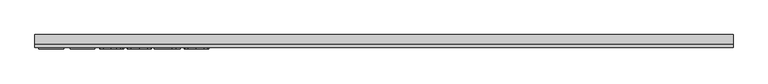
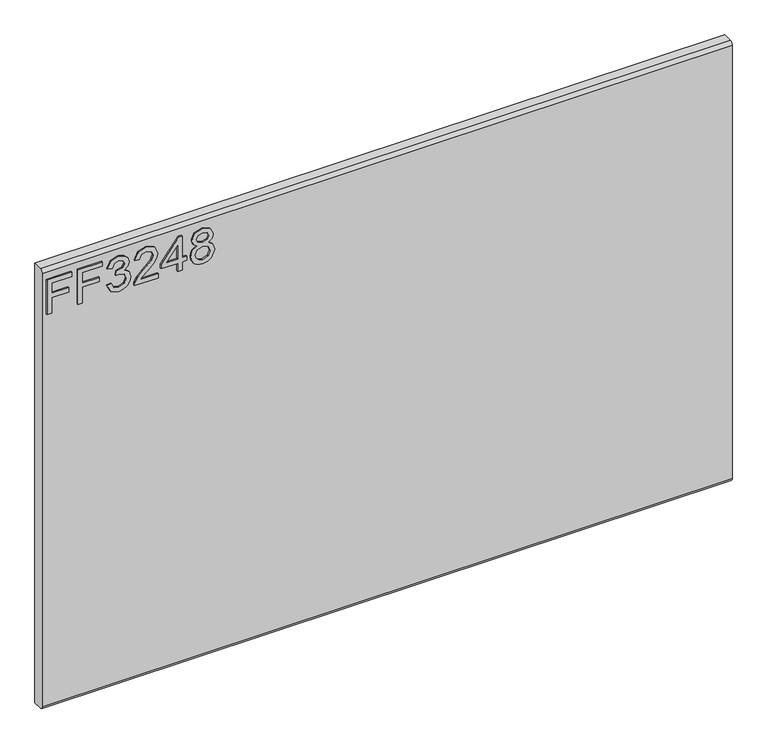
"""IFC4 building model written with IfcOpenShell, lengths in millimetres: furniture geometry."""

from ifc_helpers import new_model, si_unit, frame, origin, place, context, project, spatial, polyline, circle_curve, outline, extrude, source, transform, mapped, element, save
from ifc_brep_helpers import plane_surface, cylinder_surface, advanced_brep


def furniture_1447cfbe(model_context):
    return source(origin(), model_context, "Body", "SolidModel", [
        extrude(outline(polyline([(882.65, -596.2729953), (882.65, -588.2992757), (911.5547336, -588.2992757), (911.5547336, -558.3978271), (919.5284532, -558.3978271), (919.5284532, -588.2992757), (938.4660373, -588.2992757), (938.4660373, -553.4142524), (946.4397569, -553.4142524), (946.4397569, -596.2729953), (882.65, -596.2729953)])), frame((0.0, -15.0812439, 0.0), z_axis=(0.0, 1.0, 0.0), x_axis=(0.0, 0.0, 1.0)), (0.0, 0.0, 1.0), 2.38125),
        extrude(outline(polyline([(882.65, -542.4503879), (882.65, -534.4766683), (911.5547336, -534.4766683), (911.5547336, -504.5752197), (919.5284532, -504.5752197), (919.5284532, -534.4766683), (938.4660373, -534.4766683), (938.4660373, -499.591645), (946.4397569, -499.591645), (946.4397569, -542.4503879), (882.65, -542.4503879)])), frame((0.0, -15.0812439, 0.0), z_axis=(0.0, 1.0, 0.0), x_axis=(0.0, 0.0, 1.0)), (0.0, 0.0, 1.0), 2.38125),
        extrude(outline(polyline([(899.5941542, -491.6179253), (886.6524335, -485.2794412), (881.653285, -471.2942845), (883.1172101, -462.771593), (887.5089854, -455.8607764), (894.0032063, -451.2821171), (901.7744681, -449.7558974), (912.1465331, -452.8083369), (917.597318, -461.4984454), (922.8767925, -454.9575035), (930.2275653, -452.7460422), (938.2713664, -455.074306), (944.2516562, -461.802132), (946.4397569, -471.4188739), (942.0012607, -484.0958422), (929.4956028, -490.6212104), (928.4988878, -482.6474908), (935.9742499, -478.7384993), (938.4660373, -471.1385478), (935.9976105, -463.6320383), (929.7603552, -460.7197618), (922.7210558, -464.737769), (920.5251682, -475.0631129), (912.5514486, -475.9508122), (913.4235742, -470.3598643), (910.16089, -461.2959877), (901.9146312, -457.729617), (893.162228, -461.327135), (889.6270047, -471.0139584), (892.1966604, -479.2446436), (900.5908691, -483.6442057), (899.5941542, -491.6179253)])), frame((0.0, -15.0812439, 0.0), z_axis=(0.0, 1.0, 0.0), x_axis=(0.0, 0.0, 1.0)), (0.0, 0.0, 1.0), 2.38125),
        extrude(outline(polyline([(890.6237196, -401.9135796), (890.6237196, -433.2322323), (894.6806609, -429.6347143), (902.350694, -420.461822), (913.2756243, -409.0385342), (921.0936072, -404.3274987), (928.6546245, -402.9102946), (941.3315928, -408.1664086), (946.4397569, -422.4396782), (941.845524, -436.6662268), (928.4988878, -442.7788927), (927.5021729, -434.8051731), (935.5537608, -431.4490469), (938.4660373, -422.6109886), (935.4836793, -414.1311246), (928.1718407, -410.8840142), (919.1391115, -414.3257955), (905.85477, -428.0929208), (896.6117962, -438.075644), (888.1475059, -442.9190557), (882.65, -443.7756076), (882.65, -401.9135796), (890.6237196, -401.9135796)])), frame((0.0, -15.0812439, 0.0), z_axis=(0.0, 1.0, 0.0), x_axis=(0.0, 0.0, 1.0)), (0.0, 0.0, 1.0), 2.38125),
        extrude(outline(polyline([(882.65, -368.0252713), (882.65, -360.0515516), (897.6007243, -360.0515516), (897.6007243, -352.077832), (905.5744439, -352.077832), (905.5744439, -360.0515516), (945.443042, -360.0515516), (945.443042, -366.0318414), (905.5744439, -396.9300049), (897.6007243, -396.9300049), (897.6007243, -368.0252713), (882.65, -368.0252713)]), holes=[polyline([(905.5744439, -368.0252713), (905.5744439, -387.1185921), (930.2119916, -368.0252713), (905.5744439, -368.0252713)])]), frame((0.0, -15.0812439, 0.0), z_axis=(0.0, 1.0, 0.0), x_axis=(0.0, 0.0, 1.0)), (0.0, 0.0, 1.0), 2.38125),
        extrude(outline(polyline([(917.7842021, -333.4828687), (911.9907964, -342.0795352), (901.4318474, -345.1008274), (893.6742125, -343.6602628), (887.3143145, -339.338569), (883.0685424, -332.665251), (881.653285, -324.1698134), (883.0627023, -315.6743758), (887.290954, -309.0010577), (901.213816, -303.2387994), (911.5313731, -306.143289), (917.7842021, -314.623153), (922.713269, -307.5604931), (930.2275653, -305.2322293), (941.7209346, -310.4649828), (946.4397569, -324.2788291), (941.8299503, -337.968086), (930.4455967, -343.1073975), (922.7366295, -340.7479863), (917.7842021, -333.4828687)]), holes=[polyline([(930.2119916, -335.1336778), (936.0365446, -332.2603355), (938.4660373, -324.1698134), (935.9820368, -316.1026517), (929.8537972, -313.2059489), (923.9358022, -316.0092097), (921.5218831, -324.0763713), (923.9513758, -332.3070565), (930.2119916, -335.1336778)]), polyline([(901.7121735, -337.1271077), (910.1686769, -333.7554079), (913.5481635, -324.3722711), (910.1219559, -314.716595), (901.4629947, -311.212519), (892.9675571, -314.6075793), (889.6270047, -324.1075187), (891.2155191, -331.0845233), (895.7085232, -335.7955589), (901.7121735, -337.1271077)])]), frame((0.0, -15.0812439, 0.0), z_axis=(0.0, 1.0, 0.0), x_axis=(0.0, 0.0, 1.0)), (0.0, 0.0, 1.0), 2.38125),
        advanced_brep(
        [(603.25, 9.5250061, 965.2), (603.25, -6.7309939, 965.2), (603.25, -12.6999939, 959.231), (603.25, -12.6999939, 158.369), (603.25, -6.7309939, 152.4), (603.25, 9.5250061, 152.4), (-603.25, 9.5250061, 965.2), (-603.25, 9.5250061, 152.4), (-603.25, -6.7309939, 152.4), (-603.25, -12.6999939, 158.369), (-603.25, -12.6999939, 959.2310121), (-603.25, -6.7309939, 965.2)],
        [
            (0, 1),
            (1, 2, circle_curve(frame((603.25, -6.7309939, 959.231), z_axis=(1.0, 0.0, 0.0), x_axis=(0.0, 1.0, 0.0)), 5.969)),
            (2, 3),
            (3, 4, circle_curve(frame((603.25, -6.7309939, 158.369), z_axis=(1.0, 0.0, 0.0), x_axis=(0.0, 1.0, 0.0)), 5.969)),
            (4, 5),
            (5, 0),
            (6, 7),
            (7, 8),
            (8, 9, circle_curve(frame((-603.25, -6.7309939, 158.369), z_axis=(-1.0, 0.0, 0.0), x_axis=(0.0, 1.0, 0.0)), 5.969)),
            (9, 10),
            (10, 11, circle_curve(frame((-603.25, -6.7309939, 959.231), z_axis=(-1.0, 0.0, 0.0), x_axis=(0.0, 1.0, 0.0)), 5.969)),
            (11, 6),
            (0, 6),
            (11, 1),
            (10, 2),
            (9, 3),
            (8, 4),
            (7, 5),
        ],
        [
            plane_surface(frame((603.25, -6.7309939, 965.2), z_axis=(1.0, 0.0, 0.0), x_axis=(0.0, -1.0, 0.0))),
            plane_surface(frame((-603.25, -6.7309939, 965.2), z_axis=(-1.0, 0.0, 0.0), x_axis=(0.0, 1.0, 0.0))),
            plane_surface(frame((603.25, 9.5250061, 965.2), z_axis=(0.0, 0.0, 1.0), x_axis=(-1.0, 0.0, 0.0))),
            cylinder_surface(frame((-603.25, -6.7309939, 959.231), z_axis=(1.0, 0.0, 0.0), x_axis=(0.0, 1.0, 0.0)), 5.969),
            plane_surface(frame((603.25, -12.6999939, 959.2310121), z_axis=(0.0, -1.0, 0.0), x_axis=(-1.0, 0.0, 0.0))),
            cylinder_surface(frame((-603.25, -6.7309939, 158.369), z_axis=(1.0, 0.0, 0.0), x_axis=(0.0, 1.0, 0.0)), 5.969),
            plane_surface(frame((603.25, -6.7309939, 152.4), z_axis=(0.0, 0.0, -1.0), x_axis=(-1.0, 0.0, 0.0))),
            plane_surface(frame((603.25, 9.5250061, 152.4), z_axis=(0.0, 1.0, 0.0), x_axis=(-1.0, 0.0, 0.0))),
        ],
        [
            (0, [[1, 2, 3, 4, 5, 6]]),
            (1, [[7, 8, 9, 10, 11, 12]]),
            (2, [[-1, 13, -12, 14]]),
            (3, [[-2, -14, -11, 15]]),
            (4, [[-3, -15, -10, 16]]),
            (5, [[-4, -16, -9, 17]]),
            (6, [[-5, -17, -8, 18]]),
            (7, [[-6, -18, -7, -13]]),
        ],
    ),
    ])


if __name__ == "__main__":
    model = new_model("IFC4")
    model_context = context("Model", 3, world=origin())
    ifc_project = project(units=[si_unit("LENGTHUNIT", "METRE", prefix="MILLI")], contexts=[model_context])
    site = spatial("IfcSite", under=ifc_project)
    building = spatial("IfcBuilding", under=site)
    placement = place(None, origin())
    furniture_shape = furniture_1447cfbe(model_context)
    element("IfcFurniture", 1, at=placement, inside=building, context=model_context, shape_type="MappedRepresentation", body=[
        mapped(furniture_shape, transform((0.0, 0.0, 0.0), x_axis=(1.0, 0.0, 0.0), y_axis=(0.0, 1.0, 0.0), z_axis=(0.0, 0.0, 1.0))),
    ])
    save(model, "model.ifc")
